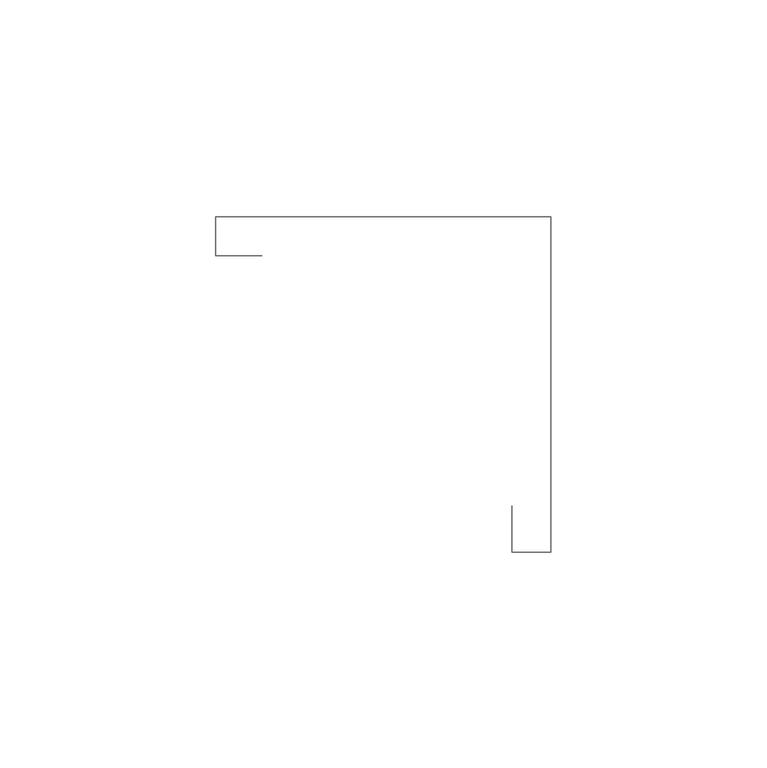
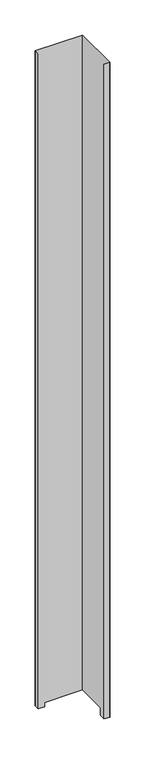
"""IFC4 building model written with IfcOpenShell, lengths in millimetres: furniture geometry."""

from ifc_helpers import new_model, si_unit, origin, place, context, project, spatial, triangles, source, transform, mapped, element, save


def furniture_c084030b(model_context):
    return source(origin(), model_context, "Body", "Tessellation", [
        triangles([(11.1759996, -9.1185999, 1150.3025339), (0.381, -9.1185999, 1150.3025339), (0.381, -9.1185999, 14.2875), (11.1759996, -9.1185999, 14.2875), (0.381, 0.0, 14.2875), (0.381, 0.0, 1150.3025339), (78.2319981, 0.0, 1150.3025339), (78.2319981, 0.0, 14.2875), (69.1134004, -77.8509984, 1150.3025339), (69.1134004, -67.0559996, 1150.3025339), (69.1134004, -67.0559996, 14.2875), (69.1134004, -77.8509984, 14.2875), (78.2319981, -77.8509984, 1150.3025339), (78.2319981, -77.8509984, 14.2875)], [[1, 2, 3], [1, 3, 4], [5, 6, 7], [5, 7, 8], [3, 2, 6], [3, 6, 5], [9, 10, 11], [9, 11, 12], [8, 7, 13], [8, 13, 14], [12, 14, 13], [12, 13, 9]], closed=False),
    ])


if __name__ == "__main__":
    model = new_model("IFC4")
    model_context = context("Model", 3, world=origin())
    ifc_project = project(units=[si_unit("LENGTHUNIT", "METRE", prefix="MILLI")], contexts=[model_context])
    site = spatial("IfcSite", under=ifc_project)
    building = spatial("IfcBuilding", under=site)
    placement = place(None, origin())
    furniture_shape = furniture_c084030b(model_context)
    element("IfcFurniture", 1, at=placement, inside=building, context=model_context, shape_type="MappedRepresentation", body=[
        mapped(furniture_shape, transform((0.0, 0.0, 0.0), x_axis=(1.0, 0.0, 0.0), y_axis=(0.0, 1.0, 0.0), z_axis=(0.0, 0.0, 1.0))),
    ])
    save(model, "model.ifc")
